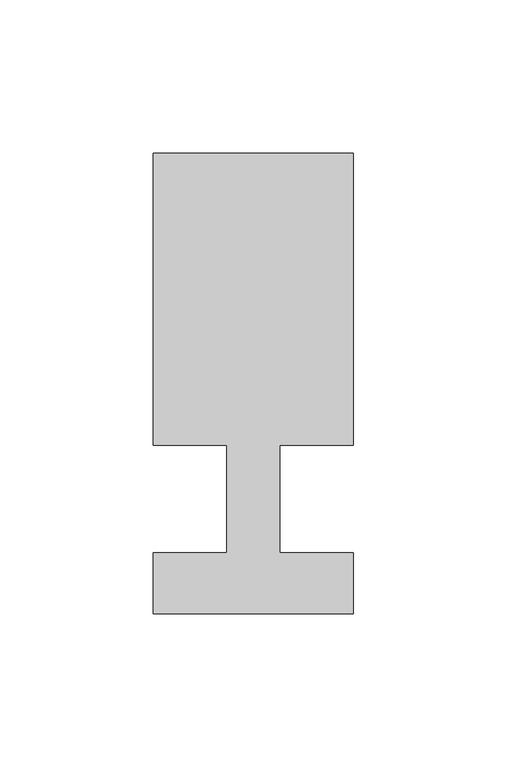
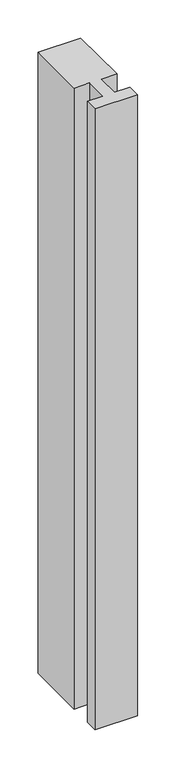
"""IFC4 building model written with IfcOpenShell, lengths in millimetres: member geometry."""

from ifc_helpers import new_model, si_unit, frame, origin, place, context, project, spatial, polyline, outline, extrude, source, transform, mapped, element, save


def member_22194179(model_context):
    return source(origin(), model_context, "Body", "SweptSolid", [
        extrude(outline(polyline([(0.0, -37.0), (-65.0, -37.0), (-65.0, -17.0), (-41.1875, -17.0), (-41.1875, 18.0), (-65.0, 18.0), (-65.0, 113.0), (0.0, 113.0), (0.0, 18.0), (-23.8125, 18.0), (-23.8125, -17.0), (0.0, -17.0), (0.0, -37.0)])), frame((0.0, 0.0, -996.0714286), z_axis=(0.0, 0.0, 1.0), x_axis=(1.0, 0.0, 0.0)), (0.0, 0.0, 1.0), 996.0714286),
    ])


if __name__ == "__main__":
    model = new_model("IFC4")
    model_context = context("Model", 3, world=origin())
    ifc_project = project(units=[si_unit("LENGTHUNIT", "METRE", prefix="MILLI")], contexts=[model_context])
    site = spatial("IfcSite", under=ifc_project)
    building = spatial("IfcBuilding", under=site)
    placement = place(None, origin())
    member_shape = member_22194179(model_context)
    element("IfcMember", 1, at=placement, inside=building, context=model_context, shape_type="MappedRepresentation", body=[
        mapped(member_shape, transform((0.0, 0.0, 0.0), x_axis=(1.0, 0.0, 0.0), y_axis=(0.0, 1.0, 0.0), z_axis=(0.0, 0.0, 1.0))),
    ])
    save(model, "model.ifc")
